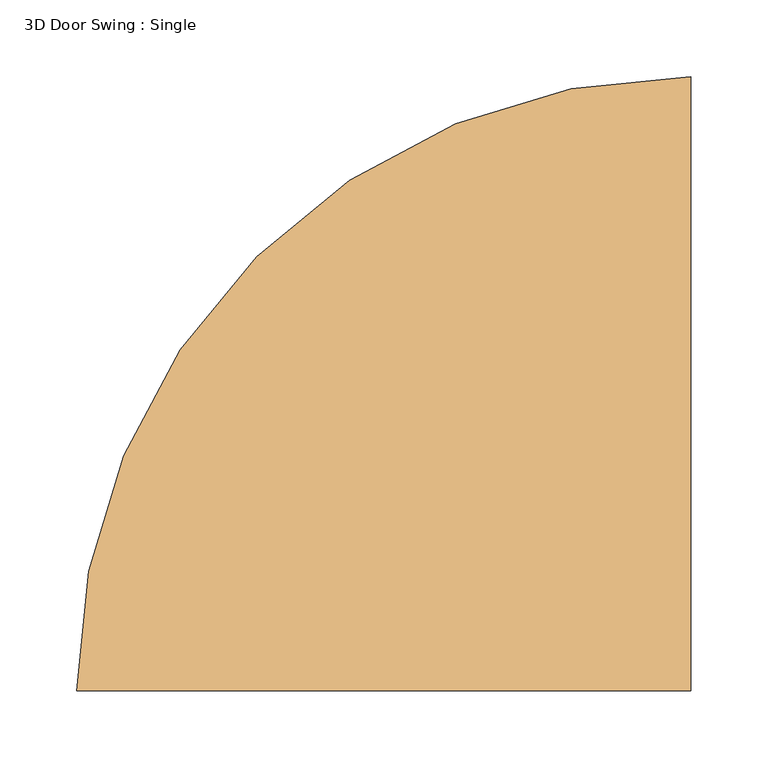
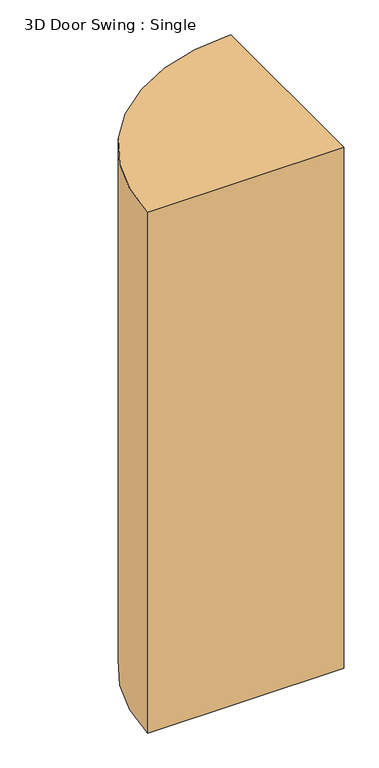
"""IFC4 building model written with IfcOpenShell, lengths in millimetres: door geometry, 3D Door Swing : Single."""

from ifc_helpers import new_model, si_unit, point, origin, origin_with_axes, origin_2d, place, context, project, spatial, polyline, circle_curve, trimmed, segment, composite_curve, outline, extrude, source, transform, mapped, element, save


def door_3d_door_swing_single_c4068eab(model_context):
    return source(origin(), model_context, "Body", "SweptSolid", [
        extrude(outline(composite_curve([segment(trimmed(circle_curve(origin_2d(), 400.0), [point((-400.0, 0.0))], [point((0.0, 400.0))], False, "CARTESIAN"), True, "CONTINUOUS"), segment(polyline([(0.0, 400.0), (0.0, 0.0), (-400.0, 0.0)]), True, "CONTINUOUS")], self_intersect=False)), origin_with_axes(), (0.0, 0.0, 1.0), 1125.0),
    ])


if __name__ == "__main__":
    model = new_model("IFC4")
    model_context = context("Model", 3, world=origin())
    ifc_project = project(units=[si_unit("LENGTHUNIT", "METRE", prefix="MILLI")], contexts=[model_context])
    site = spatial("IfcSite", under=ifc_project)
    building = spatial("IfcBuilding", under=site)
    placement = place(None, origin())
    door_3d_door_swing_single_shape = door_3d_door_swing_single_c4068eab(model_context)
    element("IfcDoor", 1, ObjectType="3D Door Swing : Single", at=placement, inside=building, context=model_context, shape_type="MappedRepresentation", body=[
        mapped(door_3d_door_swing_single_shape, transform((0.0, 0.0, 0.0), x_axis=(1.0, 0.0, 0.0), y_axis=(0.0, 1.0, 0.0), z_axis=(0.0, 0.0, 1.0))),
    ])
    save(model, "model.ifc")
